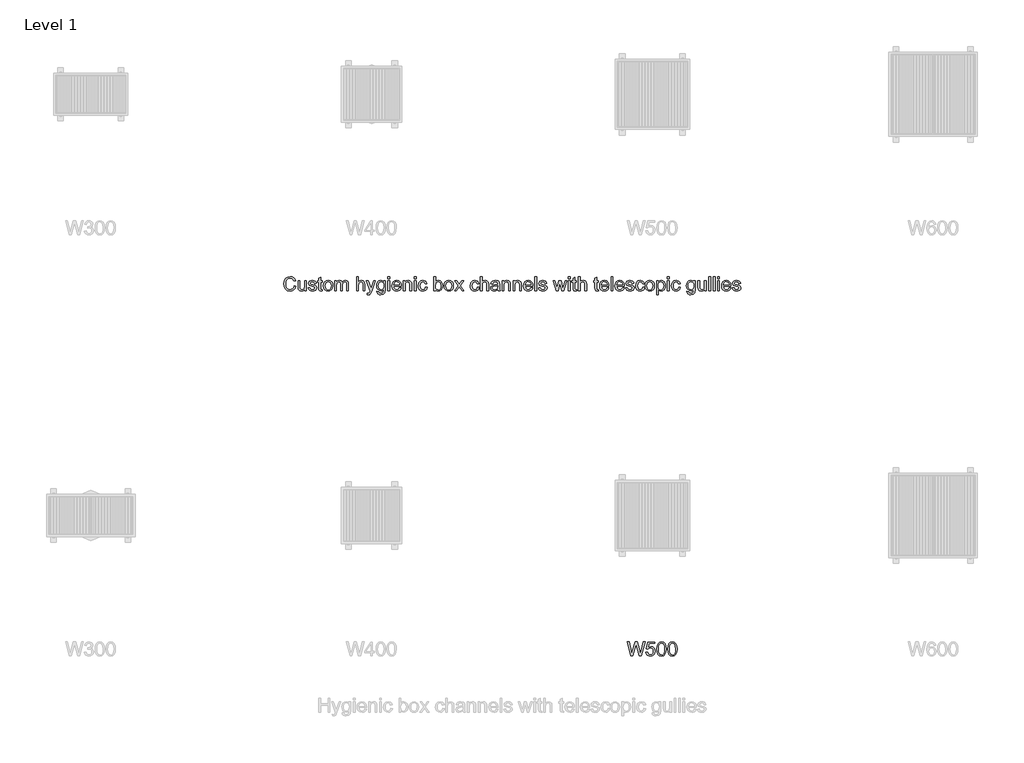
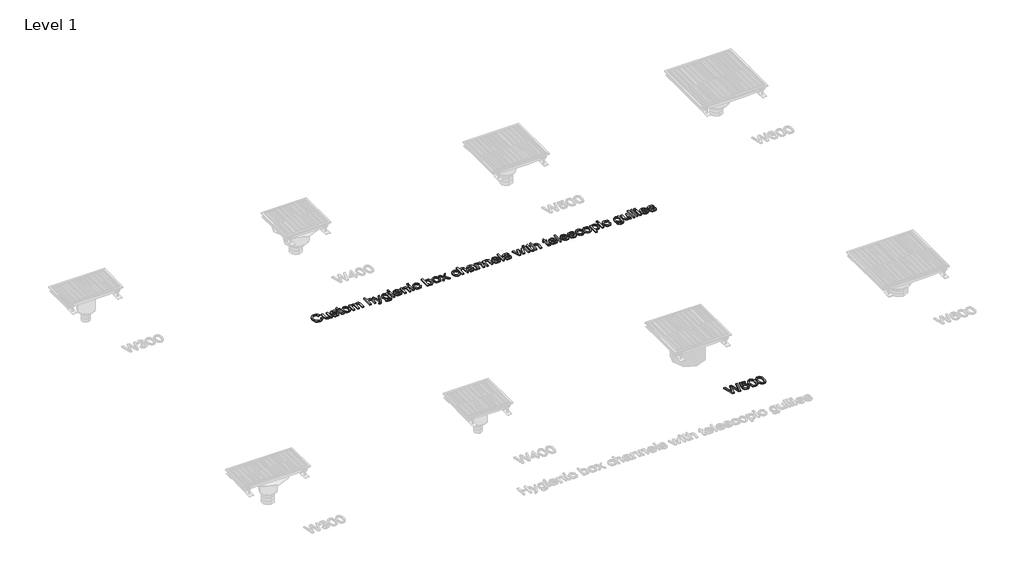
# One storey, part 3 of 4: 2 proxies.
"""IFC4 building model written with IfcOpenShell, lengths in millimetres."""

import ifcopenshell
import ifcopenshell.guid

model = None  # the IFC model being written
_history = None  # IfcOwnerHistory: only IFC2X3 demands one
_inside = {}  # id of a spatial element -> (the spatial element, [elements in it])
_under = {}  # id of a project, library or spatial element -> (it, [spatial elements below it])
_declared = {}  # id of a project -> (the project, [libraries it declares])
_typed = {}  # id of a type object -> (the type object, [elements of that type])
_made_of = {}  # id of a material, layer set ... -> (it, [elements and type objects made of it])


def new_model(schema):
    """Start an empty IFC model of exactly this schema.

    Asked for "IFC4X3", IfcOpenShell would pick the latest addendum, in which some entities
    have other attributes; the version numbers below select the first issue.
    IFC2X3 requires an IfcOwnerHistory on every rooted entity: one is made here for all.
    """
    global model, _history
    if schema == "IFC4X3":
        model = ifcopenshell.file(schema_version=(4, 3, 0, 0))
    else:
        model = ifcopenshell.file(schema=schema)
    _inside.clear()
    _under.clear()
    _declared.clear()
    _typed.clear()
    _made_of.clear()
    _history = None
    if model.schema == "IFC2X3":
        org = make("IfcOrganization", Name="unknown")
        user = make(
            "IfcPersonAndOrganization",
            ThePerson=make("IfcPerson", FamilyName="unknown"),
            TheOrganization=org,
        )
        app = make(
            "IfcApplication",
            ApplicationDeveloper=org,
            Version="unknown",
            ApplicationFullName="unknown",
            ApplicationIdentifier="unknown",
        )
        _history = make(
            "IfcOwnerHistory",
            OwningUser=user,
            OwningApplication=app,
            ChangeAction="ADDED",
            CreationDate=0,
        )
    return model


def make(cls, **values):
    """One entity of the class cls with the attributes given. An attribute that is None is left unset."""
    return model.create_entity(
        cls, **{name: value for name, value in values.items() if value is not None}
    )


def rooted(cls, **values):
    """An entity with a GlobalId (a new one), such as an element, a storey or a relation."""
    return make(cls, GlobalId=ifcopenshell.guid.new(), OwnerHistory=_history, **values)


def si_unit(unit_type, name, prefix=None):
    """IfcSIUnit, for example si_unit("LENGTHUNIT", "METRE", prefix="MILLI")."""
    return make("IfcSIUnit", UnitType=unit_type, Prefix=prefix, Name=name)


def assignment(units):
    """IfcUnitAssignment: the units of a project."""
    return None if units is None else make("IfcUnitAssignment", Units=units)


def point(xyz):
    """IfcCartesianPoint."""
    return None if xyz is None else make("IfcCartesianPoint", Coordinates=xyz)


def direction(xyz):
    """IfcDirection."""
    return None if xyz is None else make("IfcDirection", DirectionRatios=xyz)


def frame(location, z_axis=None, x_axis=None):
    """IfcAxis2Placement3D, a coordinate frame: its origin and axes. An axis left out is left unset."""
    return make(
        "IfcAxis2Placement3D",
        Location=point(location),
        Axis=direction(z_axis),
        RefDirection=direction(x_axis),
    )


def origin():
    """The frame at (0, 0, 0) with its axes left unset."""
    return frame((0.0, 0.0, 0.0))


def origin_with_axes():
    """The frame at (0, 0, 0) with the z axis (0, 0, 1) and the x axis (1, 0, 0) written out."""
    return frame((0.0, 0.0, 0.0), z_axis=(0.0, 0.0, 1.0), x_axis=(1.0, 0.0, 0.0))


def place(relative_to, where):
    """IfcLocalPlacement: puts the frame where relative to a parent placement (None: the world)."""
    return make(
        "IfcLocalPlacement", PlacementRelTo=relative_to, RelativePlacement=where
    )


def context(
    kind, dimensions, precision=None, world=None, true_north=None, identifier=None
):
    """IfcGeometricRepresentationContext, for example the 3D "Model" context."""
    return make(
        "IfcGeometricRepresentationContext",
        ContextIdentifier=identifier,
        ContextType=kind,
        CoordinateSpaceDimension=dimensions,
        Precision=precision,
        WorldCoordinateSystem=world,
        TrueNorth=true_north,
    )


def project(units=None, contexts=None):
    """IfcProject with its units and contexts."""
    return rooted(
        "IfcProject",
        Name="project",
        RepresentationContexts=contexts,
        UnitsInContext=assignment(units),
    )


def spatial(cls, under=None, at=None, **own):
    """A site, building, storey or space (cls), placed at a placement, below another one or the project."""
    s = rooted(cls, ObjectPlacement=at, **own)
    if under is not None:
        _under.setdefault(under.id(), (under, []))[1].append(s)
    return s


def polyline(points):
    """IfcPolyline through the points."""
    return make("IfcPolyline", Points=[point(p) for p in points])


def outline(outer, holes=None, kind="AREA"):
    """IfcArbitraryClosedProfileDef: a profile drawn as a closed curve; with holes, ...WithVoids."""
    if holes is None:
        return make("IfcArbitraryClosedProfileDef", ProfileType=kind, OuterCurve=outer)
    return make(
        "IfcArbitraryProfileDefWithVoids",
        ProfileType=kind,
        OuterCurve=outer,
        InnerCurves=holes,
    )


def extrude(swept, where, along, depth):
    """IfcExtrudedAreaSolid: the profile swept, set in the frame where, extruded along a direction by depth."""
    return make(
        "IfcExtrudedAreaSolid",
        SweptArea=swept,
        Position=where,
        ExtrudedDirection=direction(along),
        Depth=depth,
    )


def shape(context_of_items, identifier, shape_type, items):
    """IfcShapeRepresentation: the items that make up one representation, for example the "Body"."""
    return make(
        "IfcShapeRepresentation",
        ContextOfItems=context_of_items,
        RepresentationIdentifier=identifier,
        RepresentationType=shape_type,
        Items=items,
    )


def made_of(thing, what):
    """Note that an element or type object is made of a material, layer set ...; save() writes the relation."""
    if what is not None:
        _made_of.setdefault(what.id(), (what, []))[1].append(thing)
    return thing


def element(
    cls,
    number,
    at=None,
    inside=None,
    cuts=None,
    type_object=None,
    material=None,
    context=None,
    identifier="Body",
    shape_type=None,
    held_by="IfcProductDefinitionShape",
    body=None,
    shapes=None,
    **own,
):
    """One element of the class cls, such as IfcWall. Its Tag is "e" and its number.

    at: its placement. inside: the storey or other place that contains it. cuts: it is an
    opening in that element (IfcRelVoidsElement). A single representation is given by context,
    identifier, shape_type and body (its items); several are given by shapes. held_by: the class
    of the entity that holds the representations. save() writes the other relations.
    """
    e = rooted(cls, Tag="e%d" % number, ObjectPlacement=at, **own)
    if body is not None:
        shapes = [shape(context, identifier, shape_type, body)]
    if shapes is not None:
        e.Representation = make(held_by, Representations=shapes)
    if inside is not None:
        _inside.setdefault(inside.id(), (inside, []))[1].append(e)
    if cuts is not None:
        rooted(
            "IfcRelVoidsElement", RelatingBuildingElement=cuts, RelatedOpeningElement=e
        )
    if type_object is not None:
        _typed.setdefault(type_object.id(), (type_object, []))[1].append(e)
    return made_of(e, material)


def aggregate(whole, parts):
    """IfcRelAggregates: a whole, such as a stair, and the parts it consists of."""
    return rooted("IfcRelAggregates", RelatingObject=whole, RelatedObjects=parts)


def save(model, path):
    """Write the relations noted so far, then the file.

    IfcRelAggregates (storeys below a building ...), IfcRelContainedInSpatialStructure (elements
    in a storey), IfcRelDefinesByType, IfcRelAssociatesMaterial and IfcRelDeclares: one each for
    every whole, place, type object, material and project.
    """
    for whole, parts in _under.values():
        aggregate(whole, parts)
    for where, things in _inside.values():
        rooted(
            "IfcRelContainedInSpatialStructure",
            RelatedElements=things,
            RelatingStructure=where,
        )
    for kind, things in _typed.values():
        rooted("IfcRelDefinesByType", RelatedObjects=things, RelatingType=kind)
    for what, things in _made_of.values():
        rooted("IfcRelAssociatesMaterial", RelatedObjects=things, RelatingMaterial=what)
    for by, libraries in _declared.values():
        rooted("IfcRelDeclares", RelatingContext=by, RelatedDefinitions=libraries)
    model.write(path)


model = new_model("IFC4")

# Units and contexts
model_context = context("Model", 3, world=origin())
ifc_project = project(units=[si_unit("LENGTHUNIT", "METRE", prefix="MILLI")], contexts=[model_context])

# Site, building, storey
site = spatial("IfcSite", under=ifc_project)
building = spatial("IfcBuilding", under=site)
storey = spatial("IfcBuildingStorey", under=building, Name="Level 1", Elevation=0.0)

# Proxies
placement = place(None, origin())
element("IfcBuildingElementProxy", 1, Name="100mm ACO", ObjectType="100mm ACO", at=placement, inside=storey, context=model_context, shape_type="SweptSolid", body=[
    extrude(outline(polyline([(1948.1481481, -6700.0), (1921.9907407, -6800.0), (1906.1342593, -6800.0), (1886.255787, -6721.1516204), (1884.2592593, -6711.9502315), (1881.25, -6723.8136574), (1860.3009259, -6800.0), (1846.412037, -6800.0), (1820.3703704, -6700.0), (1833.6805556, -6700.0), (1848.8136574, -6765.6828704), (1852.6331019, -6784.6643519), (1857.2916667, -6767.505787), (1876.1574074, -6700.0), (1892.505787, -6700.0), (1906.1921296, -6750.6076389), (1913.6284722, -6786.1111111), (1918.75, -6764.3229167), (1934.7800926, -6700.0), (1948.1481481, -6700.0)])), origin_with_axes(), (0.0, 0.0, 1.0), 10.0),
    extrude(outline(polyline([(1971.1805556, -6737.8761574), (1989.84375, -6733.3333333), (2001.3274016, -6735.5577257), (2011.2413194, -6742.2309028), (2018.0881076, -6752.6077836), (2020.3703704, -6765.943287), (2018.0013021, -6779.7815394), (2010.8940972, -6791.3773148), (1999.9457465, -6799.2332176), (1986.0532407, -6801.8518519), (1974.3127894, -6800.0434028), (1964.2650463, -6794.6180556), (1957.0240162, -6785.6481481), (1953.7037037, -6773.2060185), (1966.6666667, -6772.2222222), (1973.4375, -6787.5434028), (1986.1979167, -6792.5925926), (1994.7627315, -6790.7190394), (2001.5335648, -6785.0983796), (2005.9389468, -6776.7361111), (2007.4074074, -6766.6377315), (2005.9353299, -6756.6695602), (2001.5190972, -6749.0451389), (1994.7880498, -6744.2057292), (1986.3715278, -6742.5925926), (1976.0344329, -6744.9435764), (1968.4027778, -6751.9965278), (1955.5555556, -6750.4918981), (1965.2488426, -6701.8518519), (2016.6666667, -6701.8518519), (2016.6666667, -6711.1111111), (1976.5335648, -6711.1111111), (1971.1805556, -6737.8761574)])), origin_with_axes(), (0.0, 0.0, 1.0), 10.0),
    extrude(outline(polyline([(2064.7858796, -6700.0), (2079.3818721, -6703.1864873), (2089.807581, -6712.7459491), (2096.0630064, -6728.6783854), (2098.1481481, -6750.9837963), (2095.9924769, -6773.4555845), (2089.525463, -6789.3084491), (2079.0292245, -6798.7160012), (2064.7858796, -6801.8518519), (2050.2152054, -6798.6725984), (2039.807581, -6789.134838), (2033.5630064, -6773.2385706), (2031.4814815, -6750.9837963), (2033.6371528, -6728.515625), (2040.1041667, -6712.6157407), (2050.5859375, -6703.1539352), (2064.7858796, -6700.0)]), holes=[polyline([(2064.8148148, -6792.5925926), (2073.6545139, -6790.1584201), (2080.0347222, -6782.8559028), (2083.8975694, -6770.0195312), (2085.1851852, -6750.9837963), (2082.9282407, -6726.7650463), (2076.1140046, -6713.599537), (2064.6701389, -6709.2592593), (2055.8485243, -6711.7368345), (2049.5225694, -6719.1695602), (2045.7139757, -6732.0782697), (2044.4444444, -6750.9837963), (2046.7447917, -6775.0434028), (2053.5590278, -6788.2523148), (2064.8148148, -6792.5925926)])]), origin_with_axes(), (0.0, 0.0, 1.0), 10.0),
    extrude(outline(polyline([(2142.5636574, -6700.0), (2157.1596499, -6703.1864873), (2167.5853588, -6712.7459491), (2173.8407841, -6728.6783854), (2175.9259259, -6750.9837963), (2173.7702546, -6773.4555845), (2167.3032407, -6789.3084491), (2156.8070023, -6798.7160012), (2142.5636574, -6801.8518519), (2127.9929832, -6798.6725984), (2117.5853588, -6789.134838), (2111.3407841, -6773.2385706), (2109.2592593, -6750.9837963), (2111.4149306, -6728.515625), (2117.8819444, -6712.6157407), (2128.3637153, -6703.1539352), (2142.5636574, -6700.0)]), holes=[polyline([(2142.5925926, -6792.5925926), (2151.4322917, -6790.1584201), (2157.8125, -6782.8559028), (2161.6753472, -6770.0195312), (2162.962963, -6750.9837963), (2160.7060185, -6726.7650463), (2153.8917824, -6713.599537), (2142.4479167, -6709.2592593), (2133.6263021, -6711.7368345), (2127.3003472, -6719.1695602), (2123.4917535, -6732.0782697), (2122.2222222, -6750.9837963), (2124.5225694, -6775.0434028), (2131.3368056, -6788.2523148), (2142.5925926, -6792.5925926)])]), origin_with_axes(), (0.0, 0.0, 1.0), 10.0),
])
element("IfcBuildingElementProxy", 2, Name="100mm ACO", ObjectType="100mm ACO", at=placement, inside=storey, context=model_context, shape_type="SweptSolid", body=[
    extrude(outline(polyline([(-538.8888889, -4168.1712963), (-544.8025174, -4182.9969618), (-553.9207176, -4193.5040509), (-565.7081887, -4199.7649016), (-579.6296296, -4201.8518519), (-600.5353009, -4197.9962384), (-614.8726852, -4186.4293981), (-623.1626157, -4169.4372106), (-625.9259259, -4149.3055556), (-622.6815683, -4127.9188368), (-612.9484954, -4111.7332176), (-598.1155961, -4101.5444155), (-579.5717593, -4098.1481481), (-566.2579572, -4099.9602141), (-555.0202546, -4105.396412), (-546.3505498, -4114.3265336), (-540.7407407, -4126.6203704), (-553.7037037, -4129.6296296), (-563.5561343, -4114.3663194), (-580.0636574, -4109.2592593), (-594.2853009, -4111.968316), (-604.6006944, -4120.0954861), (-610.8723958, -4132.7799479), (-612.962963, -4149.1608796), (-610.7494213, -4167.5238715), (-604.1087963, -4180.4832176), (-593.9091435, -4188.17636), (-581.0185185, -4190.7407407), (-570.4499421, -4189.1239873), (-562.0659722, -4184.2737269), (-555.8666088, -4176.1754919), (-551.8518519, -4164.8148148), (-538.8888889, -4168.1712963)])), origin_with_axes(), (0.0, 0.0, 1.0), 10.0),
    extrude(outline(polyline([(-464.8148148, -4200.0), (-475.9259259, -4200.0), (-475.9259259, -4189.4965278), (-486.1689815, -4198.7630208), (-499.1319444, -4201.8518519), (-513.2523148, -4198.3362269), (-521.9039352, -4188.6574074), (-524.0740741, -4172.65625), (-524.0740741, -4127.7777778), (-511.1111111, -4127.7777778), (-511.1111111, -4168.75), (-510.2141204, -4182.8414352), (-505.5266204, -4189.84375), (-496.4988426, -4192.5925926), (-483.7528935, -4187.6736111), (-479.2715567, -4180.1215278), (-477.7777778, -4167.3032407), (-477.7777778, -4127.7777778), (-464.8148148, -4127.7777778), (-464.8148148, -4200.0)])), origin_with_axes(), (0.0, 0.0, 1.0), 10.0),
    extrude(outline(polyline([(-405.5555556, -4148.1481481), (-410.3443287, -4138.4259259), (-421.412037, -4135.1851852), (-432.7256944, -4137.962963), (-437.037037, -4146.0358796), (-434.1869213, -4153.1828704), (-420.7465278, -4157.0601852), (-403.0237269, -4161.2268519), (-393.9814815, -4167.5491898), (-390.7407407, -4178.8773148), (-392.7517361, -4187.8074363), (-398.7847222, -4195.2112269), (-408.1814236, -4200.1916956), (-420.2835648, -4201.8518519), (-432.7582465, -4200.4557292), (-442.1730324, -4196.2673611), (-448.5351563, -4189.2939815), (-451.8518519, -4179.5428241), (-438.8888889, -4177.7777778), (-433.2899306, -4188.9033565), (-420.2835648, -4192.5925926), (-407.9861111, -4188.7586806), (-403.7037037, -4179.4270833), (-405.6278935, -4173.4519676), (-410.4311343, -4170.0810185), (-424.0162037, -4167.1875), (-444.9508102, -4159.375), (-450.0, -4146.7881944), (-448.1300637, -4138.5018808), (-442.5202546, -4131.8142361), (-433.7492766, -4127.3980035), (-422.3958333, -4125.9259259), (-410.4636863, -4127.2135417), (-401.5190972, -4131.0763889), (-395.562066, -4137.5072338), (-392.5925926, -4146.4988426), (-405.5555556, -4148.1481481)])), origin_with_axes(), (0.0, 0.0, 1.0), 10.0),
    extrude(outline(polyline([(-350.0, -4201.0127315), (-359.0856481, -4201.8518519), (-370.6741898, -4198.9728009), (-375.1157407, -4191.6666667), (-375.9259259, -4179.3402778), (-375.9259259, -4137.037037), (-385.1851852, -4137.037037), (-385.1851852, -4127.7777778), (-375.9259259, -4127.7777778), (-375.9259259, -4109.4328704), (-362.962963, -4101.8518519), (-362.962963, -4127.7777778), (-351.8518519, -4127.7777778), (-351.8518519, -4137.037037), (-362.962963, -4137.037037), (-362.962963, -4181.9444444), (-361.9212963, -4190.162037), (-356.6261574, -4192.5925926), (-351.5914352, -4192.5925926), (-350.0, -4201.0127315)])), origin_with_axes(), (0.0, 0.0, 1.0), 10.0),
    extrude(outline(polyline([(-309.2881944, -4125.9259259), (-296.1118345, -4128.3203125), (-285.4021991, -4135.5034722), (-278.2949942, -4147.0992477), (-275.9259259, -4162.7314815), (-278.4903067, -4181.0040509), (-286.1834491, -4192.9976852), (-297.088397, -4199.6383102), (-309.2881944, -4201.8518519), (-321.8786169, -4199.5768229), (-332.6822917, -4192.7517361), (-340.1150174, -4180.9859664), (-342.5925926, -4163.8888889), (-340.198206, -4147.1715856), (-333.0150463, -4135.3298611), (-322.2945602, -4128.2769097), (-309.2881944, -4125.9259259)]), holes=[polyline([(-309.2881944, -4192.5925926), (-300.4810475, -4190.5852141), (-294.0827546, -4184.5630787), (-288.8888889, -4163.4259259), (-290.3573495, -4151.1429398), (-294.7627315, -4142.3032407), (-301.3310185, -4136.9646991), (-309.2881944, -4135.1851852), (-317.400897, -4136.9900174), (-323.9149306, -4142.4045139), (-328.2009549, -4151.3925058), (-329.6296296, -4163.9178241), (-328.1756366, -4176.3997396), (-323.8136574, -4185.3732639), (-317.2743056, -4190.7877604), (-309.2881944, -4192.5925926)])]), origin_with_axes(), (0.0, 0.0, 1.0), 10.0),
    extrude(outline(polyline([(-164.8148148, -4200.0), (-177.7777778, -4200.0), (-177.7777778, -4153.2986111), (-178.4288194, -4144.4878472), (-181.8142361, -4138.0063657), (-190.3356481, -4135.1851852), (-202.34375, -4140.3356481), (-206.1414931, -4147.0920139), (-207.4074074, -4157.0601852), (-207.4074074, -4200.0), (-220.3703704, -4200.0), (-220.3703704, -4151.9097222), (-223.5532407, -4138.744213), (-232.5810185, -4135.1851852), (-245.1099537, -4140.7552083), (-248.7774884, -4148.7521701), (-250.0, -4161.6030093), (-250.0, -4200.0), (-262.962963, -4200.0), (-262.962963, -4127.7777778), (-251.8518519, -4127.7777778), (-251.8518519, -4137.6736111), (-242.4696181, -4128.8628472), (-229.9189815, -4125.9259259), (-216.7390046, -4129.0943287), (-209.2592593, -4138.6284722), (-199.7395833, -4129.1015625), (-187.1527778, -4125.9259259), (-177.379919, -4127.4450231), (-170.3993056, -4132.0023148), (-166.2109375, -4139.5978009), (-164.8148148, -4150.2314815), (-164.8148148, -4200.0)])), origin_with_axes(), (0.0, 0.0, 1.0), 10.0),
    extrude(outline(polyline([(-48.1481481, -4200.0), (-61.1111111, -4200.0), (-61.1111111, -4153.2986111), (-64.8003472, -4139.7135417), (-75.8101852, -4135.1851852), (-88.744213, -4140.5237269), (-93.0193866, -4147.9564525), (-94.4444444, -4159.5775463), (-94.4444444, -4200.0), (-107.4074074, -4200.0), (-107.4074074, -4100.0), (-94.4444444, -4100.0), (-94.4444444, -4135.8217593), (-84.7439236, -4128.3998843), (-72.8877315, -4125.9259259), (-59.6064815, -4128.7905093), (-50.708912, -4137.6012731), (-48.1481481, -4154.1087963), (-48.1481481, -4200.0)])), origin_with_axes(), (0.0, 0.0, 1.0), 10.0),
    extrude(outline(polyline([(27.7777778, -4127.7777778), (0.6076389, -4201.9386574), (-8.4346065, -4221.2818287), (-14.5218461, -4226.1537905), (-22.7430556, -4227.7777778), (-30.3240741, -4226.6203704), (-31.4814815, -4216.6666667), (-24.9421296, -4218.5185185), (-16.087963, -4214.5543981), (-10.2141204, -4201.0706019), (-37.037037, -4127.7777778), (-25.318287, -4127.7777778), (-7.6967593, -4173.8715278), (-4.369213, -4184.8090278), (0.5497685, -4171.1226852), (16.087963, -4127.7777778), (27.7777778, -4127.7777778)])), origin_with_axes(), (0.0, 0.0, 1.0), 10.0),
    extrude(outline(polyline([(98.1481481, -4189.3518519), (95.0954861, -4211.9936343), (84.2303241, -4223.6255787), (65.5671296, -4227.7777778), (54.3511285, -4226.3708044), (45.1822917, -4222.1498843), (39.0733507, -4214.7243924), (37.037037, -4203.7037037), (50.0, -4205.7581019), (54.5717593, -4215.3211806), (65.7696759, -4218.5185185), (79.0798611, -4214.8292824), (84.2447917, -4205.8449074), (85.1851852, -4191.2326389), (76.4105903, -4197.8081597), (65.5960648, -4200.0), (53.2045718, -4197.3885995), (43.5185185, -4189.5543981), (37.2685185, -4177.7416088), (35.1851852, -4163.1944444), (37.1672454, -4148.5532407), (43.1134259, -4136.5740741), (52.5607639, -4128.587963), (65.0462963, -4125.9259259), (76.1212384, -4128.3058449), (84.9247685, -4135.4456019), (85.1851852, -4127.7777778), (98.1481481, -4127.7777778), (98.1481481, -4189.3518519)]), holes=[polyline([(67.5347222, -4190.7407407), (74.7468171, -4189.134838), (81.1053241, -4184.3171296), (85.5541088, -4175.7233796), (87.037037, -4162.7893519), (85.6228299, -4151.0018808), (81.3802083, -4142.3177083), (75.0542535, -4136.968316), (67.3900463, -4135.1851852), (59.6679687, -4137.0117187), (53.515625, -4142.4913194), (49.4900174, -4151.1465567), (48.1481481, -4162.5), (49.5551215, -4175.2170139), (53.7760417, -4183.9699074), (60.0296586, -4189.0480324), (67.5347222, -4190.7407407)])]), origin_with_axes(), (0.0, 0.0, 1.0), 10.0),
    extrude(outline(polyline([(129.6296296, -4200.0), (116.6666667, -4200.0), (116.6666667, -4127.7777778), (129.6296296, -4127.7777778), (129.6296296, -4200.0)])), origin_with_axes(), (0.0, 0.0, 1.0), 10.0),
    extrude(outline(polyline([(129.6296296, -4112.962963), (116.6666667, -4112.962963), (116.6666667, -4100.0), (129.6296296, -4100.0), (129.6296296, -4112.962963)])), origin_with_axes(), (0.0, 0.0, 1.0), 10.0),
    extrude(outline(polyline([(211.1111111, -4166.6666667), (157.4074074, -4166.6666667), (159.47989, -4177.7922454), (164.1927083, -4185.9375), (170.9743924, -4190.9288194), (179.2534722, -4192.5925926), (190.9288194, -4188.9033565), (198.1481481, -4177.7777778), (211.1111111, -4179.2824074), (206.7346644, -4188.9033565), (199.7974537, -4196.0069444), (190.552662, -4200.390625), (179.2534722, -4201.8518519), (164.666522, -4199.3453414), (153.6603009, -4191.8258102), (146.7484086, -4179.9660012), (144.4444444, -4164.4386574), (146.6652199, -4148.900463), (153.3275463, -4136.6030093), (164.026331, -4128.5951968), (178.3564815, -4125.9259259), (193.5763889, -4129.3836806), (206.0040509, -4141.1603009), (209.8343461, -4151.6963252), (211.1111111, -4166.6666667)]), holes=[polyline([(198.1481481, -4157.4074074), (196.0648148, -4147.2511574), (191.3194444, -4140.3935185), (178.0381944, -4135.1851852), (170.1822917, -4136.7332176), (163.8599537, -4141.3773148), (157.4074074, -4157.4074074), (198.1481481, -4157.4074074)])]), origin_with_axes(), (0.0, 0.0, 1.0), 10.0),
    extrude(outline(polyline([(285.1851852, -4200.0), (272.2222222, -4200.0), (272.2222222, -4155.0347222), (268.359375, -4139.4386574), (257.6099537, -4135.1851852), (247.583912, -4137.9050926), (240.8709491, -4145.5729167), (238.8888889, -4159.5775463), (238.8888889, -4200.0), (225.9259259, -4200.0), (225.9259259, -4127.7777778), (237.037037, -4127.7777778), (237.037037, -4137.818287), (246.9328704, -4128.8917824), (260.1851852, -4125.9259259), (271.556713, -4127.9803241), (280.3530093, -4134.1290509), (284.3605324, -4142.8674769), (285.1851852, -4155.4108796), (285.1851852, -4200.0)])), origin_with_axes(), (0.0, 0.0, 1.0), 10.0),
    extrude(outline(polyline([(316.6666667, -4200.0), (303.7037037, -4200.0), (303.7037037, -4127.7777778), (316.6666667, -4127.7777778), (316.6666667, -4200.0)])), origin_with_axes(), (0.0, 0.0, 1.0), 10.0),
    extrude(outline(polyline([(316.6666667, -4112.962963), (303.7037037, -4112.962963), (303.7037037, -4100.0), (316.6666667, -4100.0), (316.6666667, -4112.962963)])), origin_with_axes(), (0.0, 0.0, 1.0), 10.0),
    extrude(outline(polyline([(396.2962963, -4175.5497685), (392.2670718, -4187.3553241), (385.0983796, -4195.5150463), (375.7740162, -4200.2676505), (365.2777778, -4201.8518519), (350.9620949, -4199.2621528), (340.306713, -4191.4930556), (333.6877894, -4179.4487847), (331.4814815, -4164.0335648), (336.5162037, -4141.3483796), (349.1174769, -4129.3836806), (365.0173611, -4125.9259259), (384.4762731, -4131.5827546), (391.0120081, -4138.566985), (394.4444444, -4148.2060185), (381.4814815, -4150.0), (375.5787037, -4138.9033565), (365.162037, -4135.1851852), (356.2065972, -4137.0695891), (349.7106481, -4142.7228009), (345.7609954, -4151.7541956), (344.4444444, -4163.7731481), (345.7646123, -4176.0018808), (349.7251157, -4185.083912), (356.1740451, -4190.7154225), (364.9594907, -4192.5925926), (377.5607639, -4187.962963), (383.3333333, -4174.0740741), (396.2962963, -4175.5497685)])), origin_with_axes(), (0.0, 0.0, 1.0), 10.0),
    extrude(outline(polyline([(455.7291667, -4134.9247685), (464.0914352, -4128.1756366), (475.1736111, -4125.9259259), (487.5976562, -4128.4722222), (497.265625, -4136.1111111), (503.4830729, -4147.8587963), (505.5555556, -4162.7314815), (503.2769097, -4179.4668692), (496.4409722, -4191.7679398), (486.5523727, -4199.3308738), (475.1157407, -4201.8518519), (464.098669, -4199.3778935), (455.8159722, -4191.9560185), (455.5555556, -4200.0), (442.5925926, -4200.0), (442.5925926, -4100.0), (455.5555556, -4100.0), (455.7291667, -4134.9247685)]), holes=[polyline([(473.900463, -4192.5925926), (481.3187211, -4190.7009549), (487.3119213, -4185.0260417), (491.2724248, -4175.9295428), (492.5925926, -4163.7731481), (487.7314815, -4142.896412), (481.9444444, -4137.1129919), (474.3055556, -4135.1851852), (466.6811343, -4137.1744792), (460.7060185, -4143.1423611), (455.5555556, -4163.28125), (457.6967593, -4180.2372685), (464.1493056, -4188.9322917), (473.900463, -4192.5925926)])]), origin_with_axes(), (0.0, 0.0, 1.0), 10.0),
    extrude(outline(polyline([(549.9710648, -4125.9259259), (563.1474248, -4128.3203125), (573.8570602, -4135.5034722), (580.964265, -4147.0992477), (583.3333333, -4162.7314815), (580.7689525, -4181.0040509), (573.0758102, -4192.9976852), (562.1708623, -4199.6383102), (549.9710648, -4201.8518519), (537.3806424, -4199.5768229), (526.5769676, -4192.7517361), (519.1442419, -4180.9859664), (516.6666667, -4163.8888889), (519.0610532, -4147.1715856), (526.244213, -4135.3298611), (536.9646991, -4128.2769097), (549.9710648, -4125.9259259)]), holes=[polyline([(549.9710648, -4192.5925926), (558.7782118, -4190.5852141), (565.1765046, -4184.5630787), (570.3703704, -4163.4259259), (568.9019097, -4151.1429398), (564.4965278, -4142.3032407), (557.9282407, -4136.9646991), (549.9710648, -4135.1851852), (541.8583623, -4136.9900174), (535.3443287, -4142.4045139), (531.0583044, -4151.3925058), (529.6296296, -4163.9178241), (531.0836227, -4176.3997396), (535.4456019, -4185.3732639), (541.9849537, -4190.7877604), (549.9710648, -4192.5925926)])]), origin_with_axes(), (0.0, 0.0, 1.0), 10.0),
    extrude(outline(polyline([(657.4074074, -4200.0), (644.3576389, -4200.0), (624.1030093, -4171.7013889), (603.8483796, -4200.0), (590.7407407, -4200.0), (617.505787, -4162.5868056), (592.5925926, -4127.7777778), (605.6423611, -4127.7777778), (624.0451389, -4153.443287), (642.4189815, -4127.7777778), (655.5555556, -4127.7777778), (630.6134259, -4162.6157407), (657.4074074, -4200.0)])), origin_with_axes(), (0.0, 0.0, 1.0), 10.0),
    extrude(outline(polyline([(766.6666667, -4175.5497685), (762.6374421, -4187.3553241), (755.46875, -4195.5150463), (746.1443866, -4200.2676505), (735.6481481, -4201.8518519), (721.3324653, -4199.2621528), (710.6770833, -4191.4930556), (704.0581597, -4179.4487847), (701.8518519, -4164.0335648), (706.8865741, -4141.3483796), (719.4878472, -4129.3836806), (735.3877315, -4125.9259259), (754.8466435, -4131.5827546), (761.3823785, -4138.566985), (764.8148148, -4148.2060185), (751.8518519, -4150.0), (745.9490741, -4138.9033565), (735.5324074, -4135.1851852), (726.5769676, -4137.0695891), (720.0810185, -4142.7228009), (716.1313657, -4151.7541956), (714.8148148, -4163.7731481), (716.1349826, -4176.0018808), (720.0954861, -4185.083912), (726.5444155, -4190.7154225), (735.3298611, -4192.5925926), (747.9311343, -4187.962963), (753.7037037, -4174.0740741), (766.6666667, -4175.5497685)])), origin_with_axes(), (0.0, 0.0, 1.0), 10.0),
    extrude(outline(polyline([(833.3333333, -4200.0), (820.3703704, -4200.0), (820.3703704, -4153.2986111), (816.6811343, -4139.7135417), (805.6712963, -4135.1851852), (792.7372685, -4140.5237269), (788.4620949, -4147.9564525), (787.037037, -4159.5775463), (787.037037, -4200.0), (774.0740741, -4200.0), (774.0740741, -4100.0), (787.037037, -4100.0), (787.037037, -4135.8217593), (796.7375579, -4128.3998843), (808.59375, -4125.9259259), (821.875, -4128.7905093), (830.7725694, -4137.6012731), (833.3333333, -4154.1087963), (833.3333333, -4200.0)])), origin_with_axes(), (0.0, 0.0, 1.0), 10.0),
    extrude(outline(polyline([(914.8148148, -4200.0), (901.8518519, -4200.0), (898.1481481, -4191.2615741), (885.6553819, -4199.2042824), (872.193287, -4201.8518519), (862.2070312, -4200.4050926), (854.5862269, -4196.0648148), (849.7576678, -4189.3518519), (848.1481481, -4180.787037), (849.7251157, -4172.479022), (854.4560185, -4165.7841435), (863.0859375, -4160.8904803), (876.3599537, -4157.9861111), (887.7025463, -4156.25), (898.1481481, -4153.7037037), (897.8153935, -4145.6741898), (895.8767361, -4140.7986111), (890.7118056, -4136.7332176), (881.1342593, -4135.1851852), (869.0538194, -4138.3246528), (862.962963, -4150.0), (850.0, -4148.4085648), (853.5554109, -4138.599537), (860.228588, -4131.568287), (870.0122975, -4127.3365162), (882.8993056, -4125.9259259), (902.1556713, -4129.7887731), (909.7077546, -4139.1059028), (911.1111111, -4153.1539352), (911.1111111, -4169.6759259), (911.6608796, -4189.9305556), (914.8148148, -4200.0)]), holes=[polyline([(898.1481481, -4167.5925926), (898.1481481, -4162.962963), (874.8697917, -4168.287037), (864.5507812, -4172.3451968), (861.1111111, -4180.5844907), (864.8148148, -4189.2071759), (875.4918981, -4192.5925926), (891.3049769, -4186.9212963), (896.4373553, -4179.2534722), (898.1481481, -4167.5925926)])]), origin_with_axes(), (0.0, 0.0, 1.0), 10.0),
    extrude(outline(polyline([(988.8888889, -4200.0), (975.9259259, -4200.0), (975.9259259, -4155.0347222), (972.0630787, -4139.4386574), (961.3136574, -4135.1851852), (951.2876157, -4137.9050926), (944.5746528, -4145.5729167), (942.5925926, -4159.5775463), (942.5925926, -4200.0), (929.6296296, -4200.0), (929.6296296, -4127.7777778), (940.7407407, -4127.7777778), (940.7407407, -4137.818287), (950.6365741, -4128.8917824), (963.8888889, -4125.9259259), (975.2604167, -4127.9803241), (984.056713, -4134.1290509), (988.0642361, -4142.8674769), (988.8888889, -4155.4108796), (988.8888889, -4200.0)])), origin_with_axes(), (0.0, 0.0, 1.0), 10.0),
    extrude(outline(polyline([(1066.6666667, -4200.0), (1053.7037037, -4200.0), (1053.7037037, -4155.0347222), (1049.8408565, -4139.4386574), (1039.0914352, -4135.1851852), (1029.0653935, -4137.9050926), (1022.3524306, -4145.5729167), (1020.3703704, -4159.5775463), (1020.3703704, -4200.0), (1007.4074074, -4200.0), (1007.4074074, -4127.7777778), (1018.5185185, -4127.7777778), (1018.5185185, -4137.818287), (1028.4143519, -4128.8917824), (1041.6666667, -4125.9259259), (1053.0381944, -4127.9803241), (1061.8344907, -4134.1290509), (1065.8420139, -4142.8674769), (1066.6666667, -4155.4108796), (1066.6666667, -4200.0)])), origin_with_axes(), (0.0, 0.0, 1.0), 10.0),
    extrude(outline(polyline([(1148.1481481, -4166.6666667), (1094.4444444, -4166.6666667), (1096.5169271, -4177.7922454), (1101.2297454, -4185.9375), (1108.0114294, -4190.9288194), (1116.2905093, -4192.5925926), (1127.9658565, -4188.9033565), (1135.1851852, -4177.7777778), (1148.1481481, -4179.2824074), (1143.7717014, -4188.9033565), (1136.8344907, -4196.0069444), (1127.5896991, -4200.390625), (1116.2905093, -4201.8518519), (1101.703559, -4199.3453414), (1090.697338, -4191.8258102), (1083.7854456, -4179.9660012), (1081.4814815, -4164.4386574), (1083.7022569, -4148.900463), (1090.3645833, -4136.6030093), (1101.0633681, -4128.5951968), (1115.3935185, -4125.9259259), (1130.6134259, -4129.3836806), (1143.041088, -4141.1603009), (1146.8713831, -4151.6963252), (1148.1481481, -4166.6666667)]), holes=[polyline([(1135.1851852, -4157.4074074), (1133.1018519, -4147.2511574), (1128.3564815, -4140.3935185), (1115.0752315, -4135.1851852), (1107.2193287, -4136.7332176), (1100.8969907, -4141.3773148), (1094.4444444, -4157.4074074), (1135.1851852, -4157.4074074)])]), origin_with_axes(), (0.0, 0.0, 1.0), 10.0),
    extrude(outline(polyline([(1175.9259259, -4200.0), (1162.962963, -4200.0), (1162.962963, -4100.0), (1175.9259259, -4100.0), (1175.9259259, -4200.0)])), origin_with_axes(), (0.0, 0.0, 1.0), 10.0),
    extrude(outline(polyline([(1235.1851852, -4148.1481481), (1230.396412, -4138.4259259), (1219.3287037, -4135.1851852), (1208.0150463, -4137.962963), (1203.7037037, -4146.0358796), (1206.5538194, -4153.1828704), (1219.994213, -4157.0601852), (1237.7170139, -4161.2268519), (1246.7592593, -4167.5491898), (1250.0, -4178.8773148), (1247.9890046, -4187.8074363), (1241.9560185, -4195.2112269), (1232.5593171, -4200.1916956), (1220.4571759, -4201.8518519), (1207.9824942, -4200.4557292), (1198.5677083, -4196.2673611), (1192.2055845, -4189.2939815), (1188.8888889, -4179.5428241), (1201.8518519, -4177.7777778), (1207.4508102, -4188.9033565), (1220.4571759, -4192.5925926), (1232.7546296, -4188.7586806), (1237.037037, -4179.4270833), (1235.1128472, -4173.4519676), (1230.3096065, -4170.0810185), (1216.724537, -4167.1875), (1195.7899306, -4159.375), (1190.7407407, -4146.7881944), (1192.6106771, -4138.5018808), (1198.2204861, -4131.8142361), (1206.9914641, -4127.3980035), (1218.3449074, -4125.9259259), (1230.2770544, -4127.2135417), (1239.2216435, -4131.0763889), (1245.1786748, -4137.5072338), (1248.1481481, -4146.4988426), (1235.1851852, -4148.1481481)])), origin_with_axes(), (0.0, 0.0, 1.0), 10.0),
    extrude(outline(polyline([(1391.2037037, -4127.7777778), (1366.9849537, -4200.0), (1354.7164352, -4200.0), (1344.212963, -4156.5972222), (1342.9108796, -4150.7378472), (1341.6666667, -4144.3287037), (1328.90625, -4200.0), (1316.6666667, -4200.0), (1292.1296296, -4127.7777778), (1303.6747685, -4127.7777778), (1321.2962963, -4185.0115741), (1323.4085648, -4175.2604167), (1334.4328704, -4127.7777778), (1349.0162037, -4127.7777778), (1357.7546296, -4165.6539352), (1361.8055556, -4183.4490741), (1379.6585648, -4127.7777778), (1391.2037037, -4127.7777778)])), origin_with_axes(), (0.0, 0.0, 1.0), 10.0),
    extrude(outline(polyline([(1414.8148148, -4112.962963), (1401.8518519, -4112.962963), (1401.8518519, -4100.0), (1414.8148148, -4100.0), (1414.8148148, -4112.962963)])), origin_with_axes(), (0.0, 0.0, 1.0), 10.0),
    extrude(outline(polyline([(1414.8148148, -4200.0), (1401.8518519, -4200.0), (1401.8518519, -4127.7777778), (1414.8148148, -4127.7777778), (1414.8148148, -4200.0)])), origin_with_axes(), (0.0, 0.0, 1.0), 10.0),
    extrude(outline(polyline([(1461.1111111, -4201.0127315), (1452.025463, -4201.8518519), (1440.4369213, -4198.9728009), (1435.9953704, -4191.6666667), (1435.1851852, -4179.3402778), (1435.1851852, -4137.037037), (1425.9259259, -4137.037037), (1425.9259259, -4127.7777778), (1435.1851852, -4127.7777778), (1435.1851852, -4109.4328704), (1448.1481481, -4101.8518519), (1448.1481481, -4127.7777778), (1459.2592593, -4127.7777778), (1459.2592593, -4137.037037), (1448.1481481, -4137.037037), (1448.1481481, -4181.9444444), (1449.1898148, -4190.162037), (1454.4849537, -4192.5925926), (1459.5196759, -4192.5925926), (1461.1111111, -4201.0127315)])), origin_with_axes(), (0.0, 0.0, 1.0), 10.0),
    extrude(outline(polyline([(1531.4814815, -4200.0), (1518.5185185, -4200.0), (1518.5185185, -4153.2986111), (1514.8292824, -4139.7135417), (1503.8194444, -4135.1851852), (1490.8854167, -4140.5237269), (1486.6102431, -4147.9564525), (1485.1851852, -4159.5775463), (1485.1851852, -4200.0), (1472.2222222, -4200.0), (1472.2222222, -4100.0), (1485.1851852, -4100.0), (1485.1851852, -4135.8217593), (1494.885706, -4128.3998843), (1506.7418981, -4125.9259259), (1520.0231481, -4128.7905093), (1528.9207176, -4137.6012731), (1531.4814815, -4154.1087963), (1531.4814815, -4200.0)])), origin_with_axes(), (0.0, 0.0, 1.0), 10.0),
    extrude(outline(polyline([(1616.6666667, -4201.0127315), (1607.5810185, -4201.8518519), (1595.9924769, -4198.9728009), (1591.5509259, -4191.6666667), (1590.7407407, -4179.3402778), (1590.7407407, -4137.037037), (1581.4814815, -4137.037037), (1581.4814815, -4127.7777778), (1590.7407407, -4127.7777778), (1590.7407407, -4109.4328704), (1603.7037037, -4101.8518519), (1603.7037037, -4127.7777778), (1614.8148148, -4127.7777778), (1614.8148148, -4137.037037), (1603.7037037, -4137.037037), (1603.7037037, -4181.9444444), (1604.7453704, -4190.162037), (1610.0405093, -4192.5925926), (1615.0752315, -4192.5925926), (1616.6666667, -4201.0127315)])), origin_with_axes(), (0.0, 0.0, 1.0), 10.0),
    extrude(outline(polyline([(1690.7407407, -4166.6666667), (1637.037037, -4166.6666667), (1639.1095197, -4177.7922454), (1643.822338, -4185.9375), (1650.604022, -4190.9288194), (1658.8831019, -4192.5925926), (1670.5584491, -4188.9033565), (1677.7777778, -4177.7777778), (1690.7407407, -4179.2824074), (1686.364294, -4188.9033565), (1679.4270833, -4196.0069444), (1670.1822917, -4200.390625), (1658.8831019, -4201.8518519), (1644.2961516, -4199.3453414), (1633.2899306, -4191.8258102), (1626.3780382, -4179.9660012), (1624.0740741, -4164.4386574), (1626.2948495, -4148.900463), (1632.9571759, -4136.6030093), (1643.6559606, -4128.5951968), (1657.9861111, -4125.9259259), (1673.2060185, -4129.3836806), (1685.6336806, -4141.1603009), (1689.4639757, -4151.6963252), (1690.7407407, -4166.6666667)]), holes=[polyline([(1677.7777778, -4157.4074074), (1675.6944444, -4147.2511574), (1670.9490741, -4140.3935185), (1657.6678241, -4135.1851852), (1649.8119213, -4136.7332176), (1643.4895833, -4141.3773148), (1637.037037, -4157.4074074), (1677.7777778, -4157.4074074)])]), origin_with_axes(), (0.0, 0.0, 1.0), 10.0),
    extrude(outline(polyline([(1718.5185185, -4200.0), (1705.5555556, -4200.0), (1705.5555556, -4100.0), (1718.5185185, -4100.0), (1718.5185185, -4200.0)])), origin_with_axes(), (0.0, 0.0, 1.0), 10.0),
    extrude(outline(polyline([(1800.0, -4166.6666667), (1746.2962963, -4166.6666667), (1748.3687789, -4177.7922454), (1753.0815972, -4185.9375), (1759.8632812, -4190.9288194), (1768.1423611, -4192.5925926), (1779.8177083, -4188.9033565), (1787.037037, -4177.7777778), (1800.0, -4179.2824074), (1795.6235532, -4188.9033565), (1788.6863426, -4196.0069444), (1779.4415509, -4200.390625), (1768.1423611, -4201.8518519), (1753.5554109, -4199.3453414), (1742.5491898, -4191.8258102), (1735.6372975, -4179.9660012), (1733.3333333, -4164.4386574), (1735.5541088, -4148.900463), (1742.2164352, -4136.6030093), (1752.9152199, -4128.5951968), (1767.2453704, -4125.9259259), (1782.4652778, -4129.3836806), (1794.8929398, -4141.1603009), (1798.723235, -4151.6963252), (1800.0, -4166.6666667)]), holes=[polyline([(1787.037037, -4157.4074074), (1784.9537037, -4147.2511574), (1780.2083333, -4140.3935185), (1766.9270833, -4135.1851852), (1759.0711806, -4136.7332176), (1752.7488426, -4141.3773148), (1746.2962963, -4157.4074074), (1787.037037, -4157.4074074)])]), origin_with_axes(), (0.0, 0.0, 1.0), 10.0),
    extrude(outline(polyline([(1855.5555556, -4148.1481481), (1850.7667824, -4138.4259259), (1839.6990741, -4135.1851852), (1828.3854167, -4137.962963), (1824.0740741, -4146.0358796), (1826.9241898, -4153.1828704), (1840.3645833, -4157.0601852), (1858.0873843, -4161.2268519), (1867.1296296, -4167.5491898), (1870.3703704, -4178.8773148), (1868.359375, -4187.8074363), (1862.3263889, -4195.2112269), (1852.9296875, -4200.1916956), (1840.8275463, -4201.8518519), (1828.3528646, -4200.4557292), (1818.9380787, -4196.2673611), (1812.5759549, -4189.2939815), (1809.2592593, -4179.5428241), (1822.2222222, -4177.7777778), (1827.8211806, -4188.9033565), (1840.8275463, -4192.5925926), (1853.125, -4188.7586806), (1857.4074074, -4179.4270833), (1855.4832176, -4173.4519676), (1850.6799769, -4170.0810185), (1837.0949074, -4167.1875), (1816.1603009, -4159.375), (1811.1111111, -4146.7881944), (1812.9810475, -4138.5018808), (1818.5908565, -4131.8142361), (1827.3618345, -4127.3980035), (1838.7152778, -4125.9259259), (1850.6474248, -4127.2135417), (1859.5920139, -4131.0763889), (1865.5490451, -4137.5072338), (1868.5185185, -4146.4988426), (1855.5555556, -4148.1481481)])), origin_with_axes(), (0.0, 0.0, 1.0), 10.0),
    extrude(outline(polyline([(1944.4444444, -4175.5497685), (1940.4152199, -4187.3553241), (1933.2465278, -4195.5150463), (1923.9221644, -4200.2676505), (1913.4259259, -4201.8518519), (1899.1102431, -4199.2621528), (1888.4548611, -4191.4930556), (1881.8359375, -4179.4487847), (1879.6296296, -4164.0335648), (1884.6643519, -4141.3483796), (1897.265625, -4129.3836806), (1913.1655093, -4125.9259259), (1932.6244213, -4131.5827546), (1939.1601562, -4138.566985), (1942.5925926, -4148.2060185), (1929.6296296, -4150.0), (1923.7268519, -4138.9033565), (1913.3101852, -4135.1851852), (1904.3547454, -4137.0695891), (1897.8587963, -4142.7228009), (1893.9091435, -4151.7541956), (1892.5925926, -4163.7731481), (1893.9127604, -4176.0018808), (1897.8732639, -4185.083912), (1904.3221933, -4190.7154225), (1913.1076389, -4192.5925926), (1925.708912, -4187.962963), (1931.4814815, -4174.0740741), (1944.4444444, -4175.5497685)])), origin_with_axes(), (0.0, 0.0, 1.0), 10.0),
    extrude(outline(polyline([(1981.4525463, -4125.9259259), (1994.6289062, -4128.3203125), (2005.3385417, -4135.5034722), (2012.4457465, -4147.0992477), (2014.8148148, -4162.7314815), (2012.250434, -4181.0040509), (2004.5572917, -4192.9976852), (1993.6523437, -4199.6383102), (1981.4525463, -4201.8518519), (1968.8621238, -4199.5768229), (1958.0584491, -4192.7517361), (1950.6257234, -4180.9859664), (1948.1481481, -4163.8888889), (1950.5425347, -4147.1715856), (1957.7256944, -4135.3298611), (1968.4461806, -4128.2769097), (1981.4525463, -4125.9259259)]), holes=[polyline([(1981.4525463, -4192.5925926), (1990.2596933, -4190.5852141), (1996.6579861, -4184.5630787), (2001.8518519, -4163.4259259), (2000.3833912, -4151.1429398), (1995.9780093, -4142.3032407), (1989.4097222, -4136.9646991), (1981.4525463, -4135.1851852), (1973.3398437, -4136.9900174), (1966.8258102, -4142.4045139), (1962.5397859, -4151.3925058), (1961.1111111, -4163.9178241), (1962.5651042, -4176.3997396), (1966.9270833, -4185.3732639), (1973.4664352, -4190.7877604), (1981.4525463, -4192.5925926)])]), origin_with_axes(), (0.0, 0.0, 1.0), 10.0),
    extrude(outline(polyline([(2042.7228009, -4136.4872685), (2051.1791088, -4128.5662616), (2062.8472222, -4125.9259259), (2075.1736111, -4128.515625), (2084.6064815, -4136.2847222), (2090.5960648, -4148.2132523), (2092.5925926, -4163.28125), (2090.3356481, -4179.1702836), (2083.5648148, -4191.4207176), (2073.509838, -4199.2440683), (2061.400463, -4201.8518519), (2051.0271991, -4199.7251157), (2042.9398148, -4193.3449074), (2042.5925926, -4227.7777778), (2029.6296296, -4227.7777778), (2029.6296296, -4127.7777778), (2042.5925926, -4127.7777778), (2042.7228009, -4136.4872685)]), holes=[polyline([(2059.9826389, -4192.5925926), (2067.755353, -4190.766059), (2074.0596065, -4185.2864583), (2078.2371238, -4176.1899595), (2079.6296296, -4163.5127315), (2078.2877604, -4151.4359086), (2074.2621528, -4142.5202546), (2068.145978, -4137.0189525), (2060.5324074, -4135.1851852), (2052.6511863, -4137.2287326), (2046.3107639, -4143.359375), (2042.1332465, -4152.7452257), (2040.7407407, -4164.5543981), (2042.0753762, -4176.66739), (2046.0792824, -4185.4600694), (2052.2243924, -4190.8094618), (2059.9826389, -4192.5925926)])]), origin_with_axes(), (0.0, 0.0, 1.0), 10.0),
    extrude(outline(polyline([(2120.3703704, -4112.962963), (2107.4074074, -4112.962963), (2107.4074074, -4100.0), (2120.3703704, -4100.0), (2120.3703704, -4112.962963)])), origin_with_axes(), (0.0, 0.0, 1.0), 10.0),
    extrude(outline(polyline([(2120.3703704, -4200.0), (2107.4074074, -4200.0), (2107.4074074, -4127.7777778), (2120.3703704, -4127.7777778), (2120.3703704, -4200.0)])), origin_with_axes(), (0.0, 0.0, 1.0), 10.0),
    extrude(outline(polyline([(2200.0, -4175.5497685), (2195.9707755, -4187.3553241), (2188.8020833, -4195.5150463), (2179.4777199, -4200.2676505), (2168.9814815, -4201.8518519), (2154.6657986, -4199.2621528), (2144.0104167, -4191.4930556), (2137.3914931, -4179.4487847), (2135.1851852, -4164.0335648), (2140.2199074, -4141.3483796), (2152.8211806, -4129.3836806), (2168.7210648, -4125.9259259), (2188.1799769, -4131.5827546), (2194.7157118, -4138.566985), (2198.1481481, -4148.2060185), (2185.1851852, -4150.0), (2179.2824074, -4138.9033565), (2168.8657407, -4135.1851852), (2159.9103009, -4137.0695891), (2153.4143519, -4142.7228009), (2149.4646991, -4151.7541956), (2148.1481481, -4163.7731481), (2149.468316, -4176.0018808), (2153.4288194, -4185.083912), (2159.8777488, -4190.7154225), (2168.6631944, -4192.5925926), (2181.2644676, -4187.962963), (2187.037037, -4174.0740741), (2200.0, -4175.5497685)])), origin_with_axes(), (0.0, 0.0, 1.0), 10.0),
    extrude(outline(polyline([(2305.5555556, -4189.3518519), (2302.5028935, -4211.9936343), (2291.6377315, -4223.6255787), (2272.974537, -4227.7777778), (2261.7585359, -4226.3708044), (2252.5896991, -4222.1498843), (2246.4807581, -4214.7243924), (2244.4444444, -4203.7037037), (2257.4074074, -4205.7581019), (2261.9791667, -4215.3211806), (2273.1770833, -4218.5185185), (2286.4872685, -4214.8292824), (2291.6521991, -4205.8449074), (2292.5925926, -4191.2326389), (2283.8179977, -4197.8081597), (2273.0034722, -4200.0), (2260.6119792, -4197.3885995), (2250.9259259, -4189.5543981), (2244.6759259, -4177.7416088), (2242.5925926, -4163.1944444), (2244.5746528, -4148.5532407), (2250.5208333, -4136.5740741), (2259.9681713, -4128.587963), (2272.4537037, -4125.9259259), (2283.5286458, -4128.3058449), (2292.3321759, -4135.4456019), (2292.5925926, -4127.7777778), (2305.5555556, -4127.7777778), (2305.5555556, -4189.3518519)]), holes=[polyline([(2274.9421296, -4190.7407407), (2282.1542245, -4189.134838), (2288.5127315, -4184.3171296), (2292.9615162, -4175.7233796), (2294.4444444, -4162.7893519), (2293.0302373, -4151.0018808), (2288.7876157, -4142.3177083), (2282.4616609, -4136.968316), (2274.7974537, -4135.1851852), (2267.0753762, -4137.0117187), (2260.9230324, -4142.4913194), (2256.8974248, -4151.1465567), (2255.5555556, -4162.5), (2256.9625289, -4175.2170139), (2261.1834491, -4183.9699074), (2267.437066, -4189.0480324), (2274.9421296, -4190.7407407)])]), origin_with_axes(), (0.0, 0.0, 1.0), 10.0),
    extrude(outline(polyline([(2383.3333333, -4200.0), (2372.2222222, -4200.0), (2372.2222222, -4189.4965278), (2361.9791667, -4198.7630208), (2349.0162037, -4201.8518519), (2334.8958333, -4198.3362269), (2326.244213, -4188.6574074), (2324.0740741, -4172.65625), (2324.0740741, -4127.7777778), (2337.037037, -4127.7777778), (2337.037037, -4168.75), (2337.9340278, -4182.8414352), (2342.6215278, -4189.84375), (2351.6493056, -4192.5925926), (2364.3952546, -4187.6736111), (2368.8765914, -4180.1215278), (2370.3703704, -4167.3032407), (2370.3703704, -4127.7777778), (2383.3333333, -4127.7777778), (2383.3333333, -4200.0)])), origin_with_axes(), (0.0, 0.0, 1.0), 10.0),
    extrude(outline(polyline([(2414.8148148, -4200.0), (2401.8518519, -4200.0), (2401.8518519, -4100.0), (2414.8148148, -4100.0), (2414.8148148, -4200.0)])), origin_with_axes(), (0.0, 0.0, 1.0), 10.0),
    extrude(outline(polyline([(2446.2962963, -4200.0), (2433.3333333, -4200.0), (2433.3333333, -4100.0), (2446.2962963, -4100.0), (2446.2962963, -4200.0)])), origin_with_axes(), (0.0, 0.0, 1.0), 10.0),
    extrude(outline(polyline([(2477.7777778, -4112.962963), (2464.8148148, -4112.962963), (2464.8148148, -4100.0), (2477.7777778, -4100.0), (2477.7777778, -4112.962963)])), origin_with_axes(), (0.0, 0.0, 1.0), 10.0),
    extrude(outline(polyline([(2477.7777778, -4200.0), (2464.8148148, -4200.0), (2464.8148148, -4127.7777778), (2477.7777778, -4127.7777778), (2477.7777778, -4200.0)])), origin_with_axes(), (0.0, 0.0, 1.0), 10.0),
    extrude(outline(polyline([(2559.2592593, -4166.6666667), (2505.5555556, -4166.6666667), (2507.6280382, -4177.7922454), (2512.3408565, -4185.9375), (2519.1225405, -4190.9288194), (2527.4016204, -4192.5925926), (2539.0769676, -4188.9033565), (2546.2962963, -4177.7777778), (2559.2592593, -4179.2824074), (2554.8828125, -4188.9033565), (2547.9456019, -4196.0069444), (2538.7008102, -4200.390625), (2527.4016204, -4201.8518519), (2512.8146701, -4199.3453414), (2501.8084491, -4191.8258102), (2494.8965567, -4179.9660012), (2492.5925926, -4164.4386574), (2494.8133681, -4148.900463), (2501.4756944, -4136.6030093), (2512.1744792, -4128.5951968), (2526.5046296, -4125.9259259), (2541.724537, -4129.3836806), (2554.1521991, -4141.1603009), (2557.9824942, -4151.6963252), (2559.2592593, -4166.6666667)]), holes=[polyline([(2546.2962963, -4157.4074074), (2544.212963, -4147.2511574), (2539.4675926, -4140.3935185), (2526.1863426, -4135.1851852), (2518.3304398, -4136.7332176), (2512.0081019, -4141.3773148), (2505.5555556, -4157.4074074), (2546.2962963, -4157.4074074)])]), origin_with_axes(), (0.0, 0.0, 1.0), 10.0),
    extrude(outline(polyline([(2614.8148148, -4148.1481481), (2610.0260417, -4138.4259259), (2598.9583333, -4135.1851852), (2587.6446759, -4137.962963), (2583.3333333, -4146.0358796), (2586.1834491, -4153.1828704), (2599.6238426, -4157.0601852), (2617.3466435, -4161.2268519), (2626.3888889, -4167.5491898), (2629.6296296, -4178.8773148), (2627.6186343, -4187.8074363), (2621.5856481, -4195.2112269), (2612.1889468, -4200.1916956), (2600.0868056, -4201.8518519), (2587.6121238, -4200.4557292), (2578.197338, -4196.2673611), (2571.8352141, -4189.2939815), (2568.5185185, -4179.5428241), (2581.4814815, -4177.7777778), (2587.0804398, -4188.9033565), (2600.0868056, -4192.5925926), (2612.3842593, -4188.7586806), (2616.6666667, -4179.4270833), (2614.7424769, -4173.4519676), (2609.9392361, -4170.0810185), (2596.3541667, -4167.1875), (2575.4195602, -4159.375), (2570.3703704, -4146.7881944), (2572.2403067, -4138.5018808), (2577.8501157, -4131.8142361), (2586.6210937, -4127.3980035), (2597.974537, -4125.9259259), (2609.906684, -4127.2135417), (2618.8512731, -4131.0763889), (2624.8083044, -4137.5072338), (2627.7777778, -4146.4988426), (2614.8148148, -4148.1481481)])), origin_with_axes(), (0.0, 0.0, 1.0), 10.0),
])

save(model, "model.ifc")
